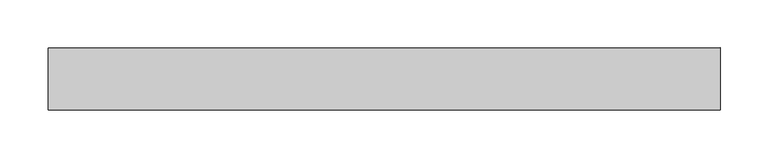
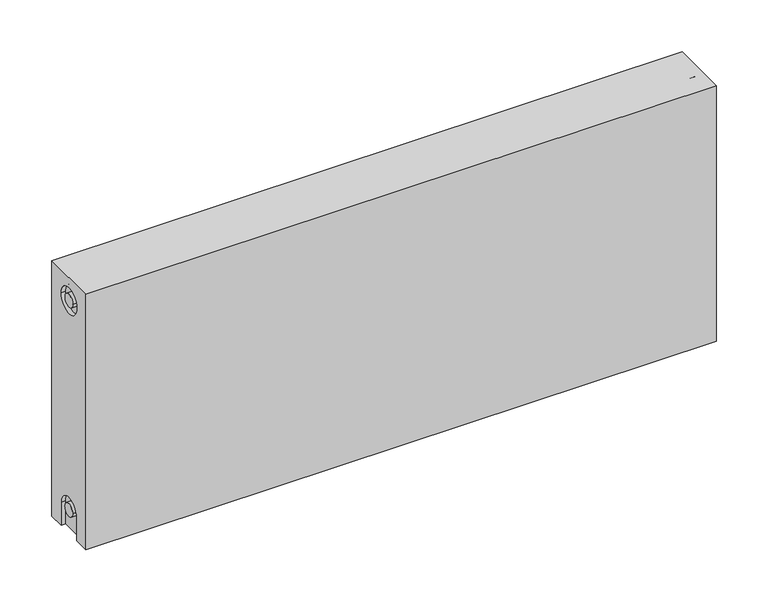
"""IFC4 building model written with IfcOpenShell, lengths in millimetres: proxy geometry."""

from ifc_helpers import new_model, si_unit, frame, origin, place, context, project, spatial, polyline, circle_curve, source, transform, mapped, element, save
from ifc_brep_helpers import plane_surface, cylinder_surface, revolved_surface, advanced_brep


def mechanical_equipment_b8a51af2(model_context):
    return source(origin(), model_context, "Body", "AdvancedBrep", [
        advanced_brep(
        [(700.0, 32.5, 300.0), (700.0, 32.5, 0.0), (0.0, 32.5, 0.0), (0.0, 32.5, 300.0), (700.0, -32.5, 300.0), (0.0, -32.5, 300.0), (0.0, -32.5, 0.0), (700.0, -32.5, 0.0), (700.0, -15.0, 0.0), (700.0, -15.0, 27.0), (700.0, 15.0, 27.0), (700.0, 15.0, 0.0), (700.0, 14.7242393, 273.0), (700.0, -15.2757607, 273.0), (700.0, -7.5, 27.0), (700.0, 7.5, 27.0), (700.0, 7.2242393, 273.0), (700.0, -7.7757607, 273.0), (695.0, 15.0, 0.0), (695.0, -15.0, 0.0), (0.0, -15.0, 0.0), (5.0, -15.0, 0.0), (5.0, 15.0, 0.0), (0.0, 15.0, 0.0), (0.0, 15.0, 27.0), (0.0, -15.0, 27.0), (0.0, -15.2757607, 273.0), (0.0, 14.7242393, 273.0), (0.0, -7.7757607, 273.0), (0.0, 7.2242393, 273.0), (0.0, 7.5682726, 27.0), (0.0, -7.4317274, 27.0), (5.0, -15.2757607, 273.0), (5.0, 14.7242393, 273.0), (5.0, -7.7757607, 273.0), (5.0, 7.2242393, 273.0), (5.0, -15.0, 27.0), (5.0, 15.0, 27.0), (5.0, -7.4317274, 27.0), (5.0, 7.5682726, 27.0), (695.0, 15.0, 27.0), (695.0, -15.0, 27.0), (695.0, -7.5, 27.0), (695.0, 7.5, 27.0), (695.0, -15.2757607, 273.0), (695.0, 14.7242393, 273.0), (695.0, -7.7757607, 273.0), (695.0, 7.2242393, 273.0)],
        [
            (0, 1),
            (1, 2),
            (2, 3),
            (3, 0),
            (4, 5),
            (5, 6),
            (6, 7),
            (7, 4),
            (0, 4),
            (7, 8),
            (8, 9),
            (9, 10, circle_curve(frame((700.0, 0.0, 27.0), z_axis=(-1.0, 0.0, 0.0), x_axis=(0.0, 1.0, 0.0)), 15.0)),
            (10, 11),
            (11, 1),
            (12, 13, circle_curve(frame((700.0, -0.2757607, 273.0), z_axis=(-1.0, 0.0, 0.0), x_axis=(0.0, 1.0, 0.0)), 15.0)),
            (13, 12, circle_curve(frame((700.0, -0.2757607, 273.0), z_axis=(-1.0, 0.0, 0.0), x_axis=(0.0, 1.0, 0.0)), 15.0)),
            (14, 15, circle_curve(frame((700.0, 0.0, 27.0), z_axis=(1.0, 0.0, 0.0), x_axis=(0.0, 1.0, 0.0)), 7.5)),
            (15, 14, circle_curve(frame((700.0, 0.0, 27.0), z_axis=(1.0, 0.0, 0.0), x_axis=(0.0, 1.0, 0.0)), 7.5)),
            (16, 17, circle_curve(frame((700.0, -0.2757607, 273.0), z_axis=(1.0, 0.0, 0.0), x_axis=(0.0, 1.0, 0.0)), 7.5)),
            (17, 16, circle_curve(frame((700.0, -0.2757607, 273.0), z_axis=(1.0, 0.0, 0.0), x_axis=(0.0, 1.0, 0.0)), 7.5)),
            (11, 18),
            (18, 19),
            (19, 8),
            (6, 20),
            (20, 21),
            (21, 22),
            (22, 23),
            (23, 2),
            (23, 24),
            (24, 25, circle_curve(frame((0.0, 0.0, 27.0), z_axis=(1.0, 0.0, 0.0), x_axis=(0.0, 1.0, 0.0)), 15.0)),
            (25, 20),
            (5, 3),
            (26, 27, circle_curve(frame((0.0, -0.2757607, 273.0), z_axis=(1.0, 0.0, 0.0), x_axis=(0.0, 1.0, 0.0)), 15.0)),
            (27, 26, circle_curve(frame((0.0, -0.2757607, 273.0), z_axis=(1.0, 0.0, 0.0), x_axis=(0.0, 1.0, 0.0)), 15.0)),
            (28, 29, circle_curve(frame((0.0, -0.2757607, 273.0), z_axis=(-1.0, 0.0, 0.0), x_axis=(0.0, 1.0, 0.0)), 7.5)),
            (29, 28, circle_curve(frame((0.0, -0.2757607, 273.0), z_axis=(-1.0, 0.0, 0.0), x_axis=(0.0, 1.0, 0.0)), 7.5)),
            (30, 31, circle_curve(frame((0.0, 0.0682726, 27.0), z_axis=(-1.0, 0.0, 0.0), x_axis=(0.0, 1.0, 0.0)), 7.5)),
            (31, 30, circle_curve(frame((0.0, 0.0682726, 27.0), z_axis=(-1.0, 0.0, 0.0), x_axis=(0.0, 1.0, 0.0)), 7.5)),
            (32, 33, circle_curve(frame((5.0, -0.2757607, 273.0), z_axis=(-1.0, 0.0, 0.0), x_axis=(0.0, 1.0, 0.0)), 15.0)),
            (33, 32, circle_curve(frame((5.0, -0.2757607, 273.0), z_axis=(-1.0, 0.0, 0.0), x_axis=(0.0, 1.0, 0.0)), 15.0)),
            (34, 35, circle_curve(frame((5.0, -0.2757607, 273.0), z_axis=(1.0, 0.0, 0.0), x_axis=(0.0, 1.0, 0.0)), 7.5)),
            (35, 34, circle_curve(frame((5.0, -0.2757607, 273.0), z_axis=(1.0, 0.0, 0.0), x_axis=(0.0, 1.0, 0.0)), 7.5)),
            (33, 27),
            (26, 32),
            (35, 29),
            (28, 34),
            (21, 36),
            (36, 37, circle_curve(frame((5.0, 0.0, 27.0), z_axis=(-1.0, 0.0, 0.0), x_axis=(0.0, 1.0, 0.0)), 15.0)),
            (37, 22),
            (38, 39, circle_curve(frame((5.0, 0.0682726, 27.0), z_axis=(1.0, 0.0, 0.0), x_axis=(0.0, 1.0, 0.0)), 7.5)),
            (39, 38, circle_curve(frame((5.0, 0.0682726, 27.0), z_axis=(1.0, 0.0, 0.0), x_axis=(0.0, 1.0, 0.0)), 7.5)),
            (38, 31),
            (30, 39),
            (37, 24),
            (36, 25),
            (18, 40),
            (40, 41, circle_curve(frame((695.0, 0.0, 27.0), z_axis=(1.0, 0.0, 0.0), x_axis=(0.0, 1.0, 0.0)), 15.0)),
            (41, 19),
            (42, 43, circle_curve(frame((695.0, 0.0, 27.0), z_axis=(-1.0, 0.0, 0.0), x_axis=(0.0, 1.0, 0.0)), 7.5)),
            (43, 42, circle_curve(frame((695.0, 0.0, 27.0), z_axis=(-1.0, 0.0, 0.0), x_axis=(0.0, 1.0, 0.0)), 7.5)),
            (43, 15),
            (14, 42),
            (10, 40),
            (9, 41),
            (44, 45, circle_curve(frame((695.0, -0.2757607, 273.0), z_axis=(1.0, 0.0, 0.0), x_axis=(0.0, 1.0, 0.0)), 15.0)),
            (45, 44, circle_curve(frame((695.0, -0.2757607, 273.0), z_axis=(1.0, 0.0, 0.0), x_axis=(0.0, 1.0, 0.0)), 15.0)),
            (46, 47, circle_curve(frame((695.0, -0.2757607, 273.0), z_axis=(-1.0, 0.0, 0.0), x_axis=(0.0, 1.0, 0.0)), 7.5)),
            (47, 46, circle_curve(frame((695.0, -0.2757607, 273.0), z_axis=(-1.0, 0.0, 0.0), x_axis=(0.0, 1.0, 0.0)), 7.5)),
            (44, 13),
            (12, 45),
            (46, 17),
            (16, 47),
        ],
        [
            plane_surface(frame((700.0, 32.5, 300.0), z_axis=(0.0, 1.0, 0.0), x_axis=(0.0, 0.0, -1.0))),
            plane_surface(frame((700.0, -32.5, 300.0), z_axis=(0.0, -1.0, 0.0), x_axis=(0.0, 0.0, 1.0))),
            plane_surface(frame((700.0, 32.5, 300.0), z_axis=(1.0, 0.0, 0.0), x_axis=(0.0, -1.0, 0.0))),
            plane_surface(frame((700.0, 32.5, 0.0), z_axis=(0.0, 0.0, -1.0), x_axis=(0.0, -1.0, 0.0))),
            plane_surface(frame((0.0, 32.5, 0.0), z_axis=(-1.0, 0.0, 0.0), x_axis=(0.0, -1.0, 0.0))),
            plane_surface(frame((0.0, 32.5, 300.0), z_axis=(0.0, 0.0, 1.0), x_axis=(0.0, -1.0, 0.0))),
            plane_surface(frame((5.0, 14.7242393, 273.0), z_axis=(-1.0, 0.0, 0.0), x_axis=(0.0, 0.0, 1.0))),
            revolved_surface(polyline([(5.0, 14.7242393, 273.0), (0.0, 14.7242393, 273.0)]), (0.0, -0.2757607, 273.0), (1.0, 0.0, 0.0)),
            cylinder_surface(frame((0.0, -0.2757607, 273.0), z_axis=(-1.0, 0.0, 0.0), x_axis=(0.0, 1.0, 0.0)), 7.5),
            plane_surface(frame((5.0, 7.5682726, 27.0), z_axis=(-1.0, 0.0, 0.0), x_axis=(0.0, 0.0, -1.0))),
            cylinder_surface(frame((0.0, 0.0682726, 27.0), z_axis=(-1.0, 0.0, 0.0), x_axis=(0.0, 1.0, 0.0)), 7.5),
            plane_surface(frame((5.0, 15.0, 0.0), z_axis=(0.0, -1.0, 0.0), x_axis=(-1.0, 0.0, 0.0))),
            revolved_surface(polyline([(5.0, 15.0, 27.0), (0.0, 15.0, 27.0)]), (0.0, 0.0, 27.0), (1.0, 0.0, 0.0)),
            plane_surface(frame((5.0, -15.0, 27.0), z_axis=(0.0, 1.0, 0.0), x_axis=(-1.0, 0.0, 0.0))),
            plane_surface(frame((695.0, 7.5, 27.0), z_axis=(1.0, 0.0, 0.0), x_axis=(0.0, 0.0, 1.0))),
            cylinder_surface(frame((695.0, 0.0, 27.0), z_axis=(-1.0, 0.0, 0.0), x_axis=(0.0, 1.0, 0.0)), 7.5),
            plane_surface(frame((700.0, 15.0, 0.0), z_axis=(0.0, -1.0, 0.0), x_axis=(-1.0, 0.0, 0.0))),
            revolved_surface(polyline([(700.0, 15.0, 27.0), (695.0, 15.0, 27.0)]), (895.0, 0.0, 27.0), (1.0, 0.0, 0.0)),
            plane_surface(frame((700.0, -15.0, 27.0), z_axis=(0.0, 1.0, 0.0), x_axis=(-1.0, 0.0, 0.0))),
            plane_surface(frame((695.0, 14.7242393, 273.0), z_axis=(1.0, 0.0, 0.0), x_axis=(0.0, 0.0, -1.0))),
            revolved_surface(polyline([(700.0, 14.7242393, 273.0), (695.0, 14.7242393, 273.0)]), (695.0, -0.2757607, 273.0), (1.0, 0.0, 0.0)),
            cylinder_surface(frame((895.0, -0.2757607, 273.0), z_axis=(-1.0, 0.0, 0.0), x_axis=(0.0, 1.0, 0.0)), 7.5),
        ],
        [
            (0, [[1, 2, 3, 4]]),
            (1, [[5, 6, 7, 8]]),
            (2, [[-1, 9, -8, 10, 11, 12, 13, 14], [15, 16]]),
            (2, [[17, 18]]),
            (2, [[19, 20]]),
            (3, [[-2, -14, 21, 22, 23, -10, -7, 24, 25, 26, 27, 28]]),
            (4, [[-3, -28, 29, 30, 31, -24, -6, 32], [33, 34]]),
            (4, [[35, 36]]),
            (4, [[37, 38]]),
            (5, [[-4, -32, -5, -9]]),
            (6, [[39, 40], [41, 42]]),
            (7, [[-40, 43, -33, 44]]),
            (7, [[-39, -44, -34, -43]]),
            (8, [[-42, 45, -35, 46]]),
            (8, [[-41, -46, -36, -45]]),
            (9, [[47, 48, 49, -26], [50, 51]]),
            (10, [[-50, 52, -37, 53]]),
            (10, [[-51, -53, -38, -52]]),
            (11, [[-49, 54, -29, -27]]),
            (12, [[-48, 55, -30, -54]]),
            (13, [[-47, -25, -31, -55]]),
            (14, [[56, 57, 58, -22], [59, 60]]),
            (15, [[-60, 61, -17, 62]]),
            (15, [[-59, -62, -18, -61]]),
            (16, [[-56, -21, -13, 63]]),
            (17, [[-57, -63, -12, 64]]),
            (18, [[-58, -64, -11, -23]]),
            (19, [[65, 66], [67, 68]]),
            (20, [[-65, 69, -15, 70]]),
            (20, [[-66, -70, -16, -69]]),
            (21, [[-67, 71, -19, 72]]),
            (21, [[-68, -72, -20, -71]]),
        ],
    ),
    ])


if __name__ == "__main__":
    model = new_model("IFC4")
    model_context = context("Model", 3, world=origin())
    ifc_project = project(units=[si_unit("LENGTHUNIT", "METRE", prefix="MILLI")], contexts=[model_context])
    site = spatial("IfcSite", under=ifc_project)
    building = spatial("IfcBuilding", under=site)
    placement = place(None, origin())
    mechanical_equipment_shape = mechanical_equipment_b8a51af2(model_context)
    element("IfcBuildingElementProxy", 1, Name="Mechanical Equipment", at=placement, inside=building, context=model_context, shape_type="MappedRepresentation", body=[
        mapped(mechanical_equipment_shape, transform((0.0, 0.0, 0.0), x_axis=(1.0, 0.0, 0.0), y_axis=(0.0, 1.0, 0.0), z_axis=(0.0, 0.0, 1.0))),
    ])
    save(model, "model.ifc")
